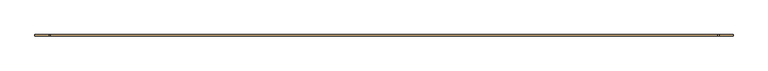
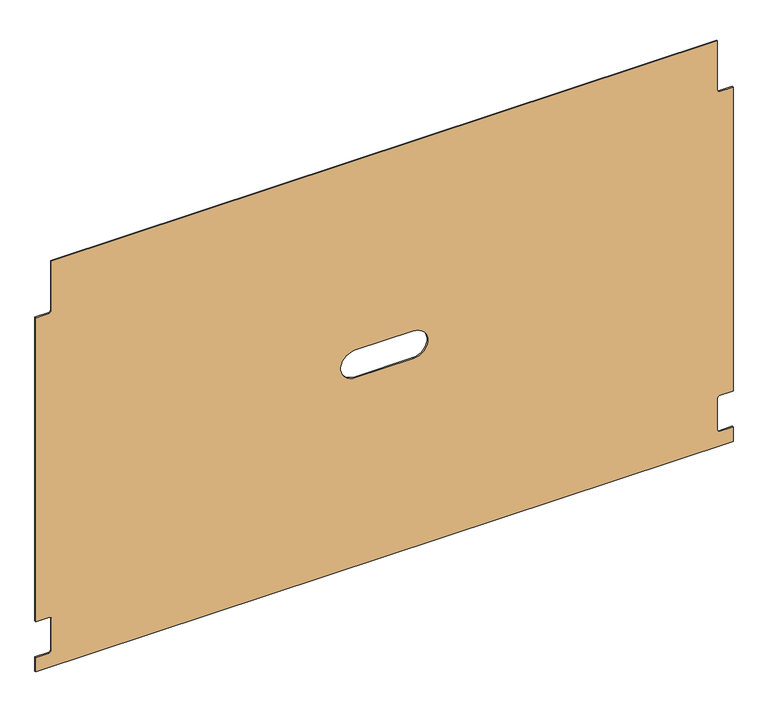
"""IFC4 building model written with IfcOpenShell, lengths in millimetres: door geometry."""

from ifc_helpers import new_model, si_unit, point, frame, frame_2d, origin, place, context, project, spatial, polyline, circle_curve, trimmed, segment, composite_curve, outline, extrude, source, transform, mapped, element, save


def door_743ece06(model_context):
    return source(origin(), model_context, "Body", "SweptSolid", [
        extrude(outline(composite_curve([segment(trimmed(circle_curve(frame_2d((688.1316256, -483.0697171)), 3.175), [point((688.1316256, -479.8947171))], [point((684.9566256, -483.0697171))], True, "CARTESIAN"), True, "CONTINUOUS"), segment(polyline([(684.9566256, -483.0697171), (684.9566256, -507.2632171), (121.3520123, -507.2632171), (121.3520123, -483.0697171)]), True, "CONTINUOUS"), segment(trimmed(circle_curve(frame_2d((118.1770123, -483.0697171)), 3.175), [point((121.3520123, -483.0697171))], [point((118.1770123, -479.8947171))], True, "CARTESIAN"), True, "CONTINUOUS"), segment(polyline([(118.1770123, -479.8947171), (57.8520123, -479.8947171)]), True, "CONTINUOUS"), segment(trimmed(circle_curve(frame_2d((57.8520123, -483.0697171)), 3.175), [point((57.8520123, -479.8947171))], [point((54.6770123, -483.0697171))], True, "CARTESIAN"), True, "CONTINUOUS"), segment(polyline([(54.6770123, -483.0697171), (54.6770123, -507.2632171), (28.0705123, -507.2632171), (28.0705123, 715.6115304), (54.6770123, 715.6115304), (54.6770123, 691.4180304)]), True, "CONTINUOUS"), segment(trimmed(circle_curve(frame_2d((57.8520123, 691.4180304)), 3.175), [point((54.6770123, 691.4180304))], [point((57.8520123, 688.2430304))], True, "CARTESIAN"), True, "CONTINUOUS"), segment(polyline([(57.8520123, 688.2430304), (118.1770123, 688.2430304)]), True, "CONTINUOUS"), segment(trimmed(circle_curve(frame_2d((118.1770123, 691.4180304)), 3.175), [point((118.1770123, 688.2430304))], [point((121.3520123, 691.4180304))], True, "CARTESIAN"), True, "CONTINUOUS"), segment(polyline([(121.3520123, 691.4180304), (121.3520123, 715.6115304), (684.9566256, 715.6115304), (684.9566256, 691.4180304)]), True, "CONTINUOUS"), segment(trimmed(circle_curve(frame_2d((688.1316256, 691.4180304)), 3.175), [point((684.9566256, 691.4180304))], [point((688.1316256, 688.2430304))], True, "CARTESIAN"), True, "CONTINUOUS"), segment(polyline([(688.1316256, 688.2430304), (780.4566124, 688.2430304), (780.4566124, -479.8947171), (688.1316256, -479.8947171)]), True, "CONTINUOUS")], self_intersect=False), holes=[composite_curve([segment(polyline([(428.6793124, 53.3741567), (428.6793124, 154.9741567)]), True, "CONTINUOUS"), segment(trimmed(circle_curve(frame_2d((403.2793124, 154.9741567)), 25.4), [point((428.6793124, 154.9741567))], [point((377.8793124, 154.9741567))], True, "CARTESIAN"), True, "CONTINUOUS"), segment(polyline([(377.8793124, 154.9741567), (377.8793124, 53.3741567)]), True, "CONTINUOUS"), segment(trimmed(circle_curve(frame_2d((403.2793124, 53.3741567)), 25.4), [point((377.8793124, 53.3741567))], [point((428.6793124, 53.3741567))], True, "CARTESIAN"), True, "CONTINUOUS")], self_intersect=False)]), frame((0.0, 0.0, 0.0), z_axis=(0.0, 1.0, 0.0), x_axis=(0.0, 0.0, 1.0)), (0.0, 0.0, 1.0), 2.2388125),
    ])


if __name__ == "__main__":
    model = new_model("IFC4")
    model_context = context("Model", 3, world=origin())
    ifc_project = project(units=[si_unit("LENGTHUNIT", "METRE", prefix="MILLI")], contexts=[model_context])
    site = spatial("IfcSite", under=ifc_project)
    building = spatial("IfcBuilding", under=site)
    placement = place(None, origin())
    door_shape = door_743ece06(model_context)
    element("IfcDoor", 1, at=placement, inside=building, context=model_context, shape_type="MappedRepresentation", body=[
        mapped(door_shape, transform((0.0, 0.0, 0.0), x_axis=(1.0, 0.0, 0.0), y_axis=(0.0, 1.0, 0.0), z_axis=(0.0, 0.0, 1.0))),
    ])
    save(model, "model.ifc")
